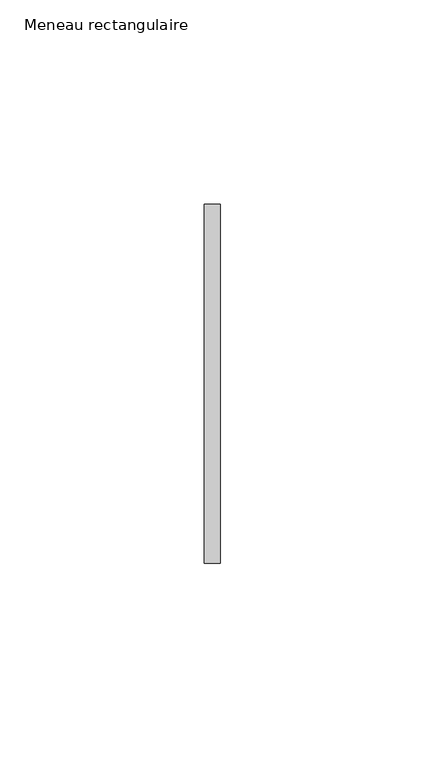
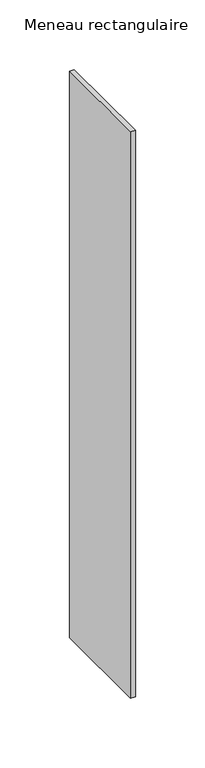
"""IFC4 building model written with IfcOpenShell, lengths in millimetres: member geometry, Meneau rectangulaire."""

from ifc_helpers import new_model, si_unit, frame, origin, place, context, project, spatial, polyline, outline, extrude, source, transform, mapped, element, save


def meneau_rectangulaire_2c08a0cd(model_context):
    return source(origin(), model_context, "Body", "SweptSolid", [
        extrude(outline(polyline([(-2.0, 44.0), (2.0, 44.0), (2.0, -44.0), (-2.0, -44.0), (-2.0, 44.0)])), frame((0.0, 0.0, -497.0), z_axis=(0.0, 0.0, 1.0), x_axis=(1.0, 0.0, 0.0)), (0.0, 0.0, 1.0), 497.0),
    ])


if __name__ == "__main__":
    model = new_model("IFC4")
    model_context = context("Model", 3, world=origin())
    ifc_project = project(units=[si_unit("LENGTHUNIT", "METRE", prefix="MILLI")], contexts=[model_context])
    site = spatial("IfcSite", under=ifc_project)
    building = spatial("IfcBuilding", under=site)
    placement = place(None, origin())
    meneau_rectangulaire_shape = meneau_rectangulaire_2c08a0cd(model_context)
    element("IfcMember", 1, ObjectType="Meneau rectangulaire", at=placement, inside=building, context=model_context, shape_type="MappedRepresentation", body=[
        mapped(meneau_rectangulaire_shape, transform((0.0, 0.0, 0.0), x_axis=(1.0, 0.0, 0.0), y_axis=(0.0, 1.0, 0.0), z_axis=(0.0, 0.0, 1.0))),
    ])
    save(model, "model.ifc")
